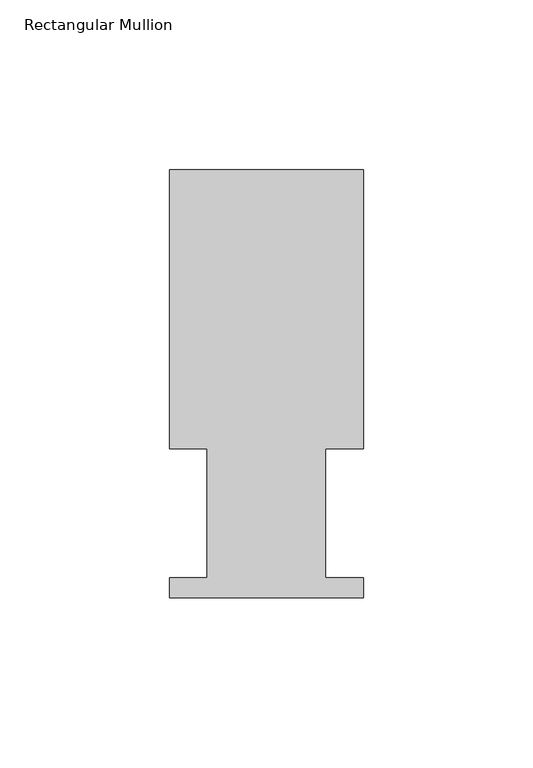
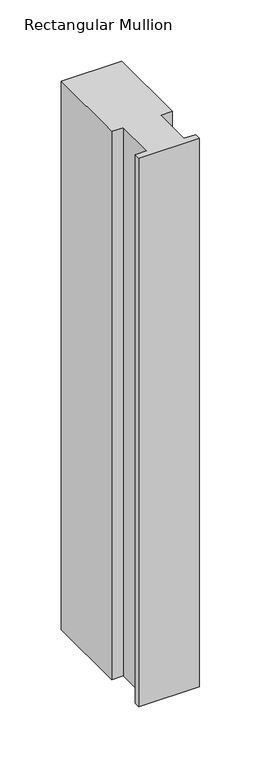
"""IFC4 building model written with IfcOpenShell, lengths in millimetres: member geometry, Rectangular Mullion."""

import ifcopenshell
import ifcopenshell.guid

model = None  # the IFC model being written
_history = None  # IfcOwnerHistory: only IFC2X3 demands one
_inside = {}  # id of a spatial element -> (the spatial element, [elements in it])
_under = {}  # id of a project, library or spatial element -> (it, [spatial elements below it])
_declared = {}  # id of a project -> (the project, [libraries it declares])
_typed = {}  # id of a type object -> (the type object, [elements of that type])
_made_of = {}  # id of a material, layer set ... -> (it, [elements and type objects made of it])


def new_model(schema):
    """Start an empty IFC model of exactly this schema.

    Asked for "IFC4X3", IfcOpenShell would pick the latest addendum, in which some entities
    have other attributes; the version numbers below select the first issue.
    IFC2X3 requires an IfcOwnerHistory on every rooted entity: one is made here for all.
    """
    global model, _history
    if schema == "IFC4X3":
        model = ifcopenshell.file(schema_version=(4, 3, 0, 0))
    else:
        model = ifcopenshell.file(schema=schema)
    _inside.clear()
    _under.clear()
    _declared.clear()
    _typed.clear()
    _made_of.clear()
    _history = None
    if model.schema == "IFC2X3":
        org = make("IfcOrganization", Name="unknown")
        user = make(
            "IfcPersonAndOrganization",
            ThePerson=make("IfcPerson", FamilyName="unknown"),
            TheOrganization=org,
        )
        app = make(
            "IfcApplication",
            ApplicationDeveloper=org,
            Version="unknown",
            ApplicationFullName="unknown",
            ApplicationIdentifier="unknown",
        )
        _history = make(
            "IfcOwnerHistory",
            OwningUser=user,
            OwningApplication=app,
            ChangeAction="ADDED",
            CreationDate=0,
        )
    return model


def make(cls, **values):
    """One entity of the class cls with the attributes given. An attribute that is None is left unset."""
    return model.create_entity(
        cls, **{name: value for name, value in values.items() if value is not None}
    )


def rooted(cls, **values):
    """An entity with a GlobalId (a new one), such as an element, a storey or a relation."""
    return make(cls, GlobalId=ifcopenshell.guid.new(), OwnerHistory=_history, **values)


def si_unit(unit_type, name, prefix=None):
    """IfcSIUnit, for example si_unit("LENGTHUNIT", "METRE", prefix="MILLI")."""
    return make("IfcSIUnit", UnitType=unit_type, Prefix=prefix, Name=name)


def assignment(units):
    """IfcUnitAssignment: the units of a project."""
    return None if units is None else make("IfcUnitAssignment", Units=units)


def point(xyz):
    """IfcCartesianPoint."""
    return None if xyz is None else make("IfcCartesianPoint", Coordinates=xyz)


def direction(xyz):
    """IfcDirection."""
    return None if xyz is None else make("IfcDirection", DirectionRatios=xyz)


def frame(location, z_axis=None, x_axis=None):
    """IfcAxis2Placement3D, a coordinate frame: its origin and axes. An axis left out is left unset."""
    return make(
        "IfcAxis2Placement3D",
        Location=point(location),
        Axis=direction(z_axis),
        RefDirection=direction(x_axis),
    )


def origin():
    """The frame at (0, 0, 0) with its axes left unset."""
    return frame((0.0, 0.0, 0.0))


def place(relative_to, where):
    """IfcLocalPlacement: puts the frame where relative to a parent placement (None: the world)."""
    return make(
        "IfcLocalPlacement", PlacementRelTo=relative_to, RelativePlacement=where
    )


def context(
    kind, dimensions, precision=None, world=None, true_north=None, identifier=None
):
    """IfcGeometricRepresentationContext, for example the 3D "Model" context."""
    return make(
        "IfcGeometricRepresentationContext",
        ContextIdentifier=identifier,
        ContextType=kind,
        CoordinateSpaceDimension=dimensions,
        Precision=precision,
        WorldCoordinateSystem=world,
        TrueNorth=true_north,
    )


def project(units=None, contexts=None):
    """IfcProject with its units and contexts."""
    return rooted(
        "IfcProject",
        Name="project",
        RepresentationContexts=contexts,
        UnitsInContext=assignment(units),
    )


def spatial(cls, under=None, at=None, **own):
    """A site, building, storey or space (cls), placed at a placement, below another one or the project."""
    s = rooted(cls, ObjectPlacement=at, **own)
    if under is not None:
        _under.setdefault(under.id(), (under, []))[1].append(s)
    return s


def polyline(points):
    """IfcPolyline through the points."""
    return make("IfcPolyline", Points=[point(p) for p in points])


def outline(outer, holes=None, kind="AREA"):
    """IfcArbitraryClosedProfileDef: a profile drawn as a closed curve; with holes, ...WithVoids."""
    if holes is None:
        return make("IfcArbitraryClosedProfileDef", ProfileType=kind, OuterCurve=outer)
    return make(
        "IfcArbitraryProfileDefWithVoids",
        ProfileType=kind,
        OuterCurve=outer,
        InnerCurves=holes,
    )


def extrude(swept, where, along, depth):
    """IfcExtrudedAreaSolid: the profile swept, set in the frame where, extruded along a direction by depth."""
    return make(
        "IfcExtrudedAreaSolid",
        SweptArea=swept,
        Position=where,
        ExtrudedDirection=direction(along),
        Depth=depth,
    )


def shape(context_of_items, identifier, shape_type, items):
    """IfcShapeRepresentation: the items that make up one representation, for example the "Body"."""
    return make(
        "IfcShapeRepresentation",
        ContextOfItems=context_of_items,
        RepresentationIdentifier=identifier,
        RepresentationType=shape_type,
        Items=items,
    )


def source(mapping_origin, context_of_items, identifier, shape_type, items):
    """IfcRepresentationMap: a shape defined once, which mapped items show again and again."""
    return make(
        "IfcRepresentationMap",
        MappingOrigin=mapping_origin,
        MappedRepresentation=shape(context_of_items, identifier, shape_type, items),
    )


def transform(
    local_origin,
    x_axis=None,
    y_axis=None,
    z_axis=None,
    scale=None,
    scale2=None,
    scale3=None,
    uniform=True,
):
    """IfcCartesianTransformationOperator3D, or its non-uniform kind. x_axis, y_axis, z_axis: its Axis1, 2, 3."""
    if uniform:
        return make(
            "IfcCartesianTransformationOperator3D",
            Axis1=direction(x_axis),
            Axis2=direction(y_axis),
            LocalOrigin=point(local_origin),
            Scale=scale,
            Axis3=direction(z_axis),
        )
    return make(
        "IfcCartesianTransformationOperator3DnonUniform",
        Axis1=direction(x_axis),
        Axis2=direction(y_axis),
        LocalOrigin=point(local_origin),
        Scale=scale,
        Axis3=direction(z_axis),
        Scale2=scale2,
        Scale3=scale3,
    )


def mapped(mapping_source, mapping_target):
    """IfcMappedItem: shows the shape of a source again, moved by a transform."""
    return make(
        "IfcMappedItem", MappingSource=mapping_source, MappingTarget=mapping_target
    )


def made_of(thing, what):
    """Note that an element or type object is made of a material, layer set ...; save() writes the relation."""
    if what is not None:
        _made_of.setdefault(what.id(), (what, []))[1].append(thing)
    return thing


def element(
    cls,
    number,
    at=None,
    inside=None,
    cuts=None,
    type_object=None,
    material=None,
    context=None,
    identifier="Body",
    shape_type=None,
    held_by="IfcProductDefinitionShape",
    body=None,
    shapes=None,
    **own,
):
    """One element of the class cls, such as IfcWall. Its Tag is "e" and its number.

    at: its placement. inside: the storey or other place that contains it. cuts: it is an
    opening in that element (IfcRelVoidsElement). A single representation is given by context,
    identifier, shape_type and body (its items); several are given by shapes. held_by: the class
    of the entity that holds the representations. save() writes the other relations.
    """
    e = rooted(cls, Tag="e%d" % number, ObjectPlacement=at, **own)
    if body is not None:
        shapes = [shape(context, identifier, shape_type, body)]
    if shapes is not None:
        e.Representation = make(held_by, Representations=shapes)
    if inside is not None:
        _inside.setdefault(inside.id(), (inside, []))[1].append(e)
    if cuts is not None:
        rooted(
            "IfcRelVoidsElement", RelatingBuildingElement=cuts, RelatedOpeningElement=e
        )
    if type_object is not None:
        _typed.setdefault(type_object.id(), (type_object, []))[1].append(e)
    return made_of(e, material)


def aggregate(whole, parts):
    """IfcRelAggregates: a whole, such as a stair, and the parts it consists of."""
    return rooted("IfcRelAggregates", RelatingObject=whole, RelatedObjects=parts)


def save(model, path):
    """Write the relations noted so far, then the file.

    IfcRelAggregates (storeys below a building ...), IfcRelContainedInSpatialStructure (elements
    in a storey), IfcRelDefinesByType, IfcRelAssociatesMaterial and IfcRelDeclares: one each for
    every whole, place, type object, material and project.
    """
    for whole, parts in _under.values():
        aggregate(whole, parts)
    for where, things in _inside.values():
        rooted(
            "IfcRelContainedInSpatialStructure",
            RelatedElements=things,
            RelatingStructure=where,
        )
    for kind, things in _typed.values():
        rooted("IfcRelDefinesByType", RelatedObjects=things, RelatingType=kind)
    for what, things in _made_of.values():
        rooted("IfcRelAssociatesMaterial", RelatedObjects=things, RelatingMaterial=what)
    for by, libraries in _declared.values():
        rooted("IfcRelDeclares", RelatingContext=by, RelatedDefinitions=libraries)
    model.write(path)


def rectangular_mullion_27624d43(model_context):
    return source(origin(), model_context, "Body", "SweptSolid", [
        extrude(outline(polyline([(0.0, 126.619), (0.0, 44.45), (-11.1120704, 44.45), (-11.1120704, 6.35), (0.0, 6.35), (0.0, 0.4064), (-57.15, 0.4064), (-57.15, 6.35), (-46.0370705, 6.35), (-46.0370705, 44.45), (-57.15, 44.45), (-57.15, 126.619), (0.0, 126.619)])), frame((0.0, 0.0, -546.1), z_axis=(0.0, 0.0, 1.0), x_axis=(1.0, 0.0, 0.0)), (0.0, 0.0, 1.0), 546.1),
    ])


if __name__ == "__main__":
    model = new_model("IFC4")
    model_context = context("Model", 3, world=origin())
    ifc_project = project(units=[si_unit("LENGTHUNIT", "METRE", prefix="MILLI")], contexts=[model_context])
    site = spatial("IfcSite", under=ifc_project)
    building = spatial("IfcBuilding", under=site)
    placement = place(None, origin())
    rectangular_mullion_shape = rectangular_mullion_27624d43(model_context)
    element("IfcMember", 1, ObjectType="Rectangular Mullion", at=placement, inside=building, context=model_context, shape_type="MappedRepresentation", body=[
        mapped(rectangular_mullion_shape, transform((0.0, 0.0, 0.0), x_axis=(1.0, 0.0, 0.0), y_axis=(0.0, 1.0, 0.0), z_axis=(0.0, 0.0, 1.0))),
    ])
    save(model, "model.ifc")
